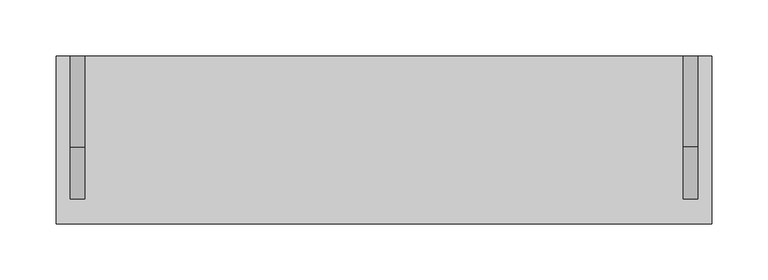
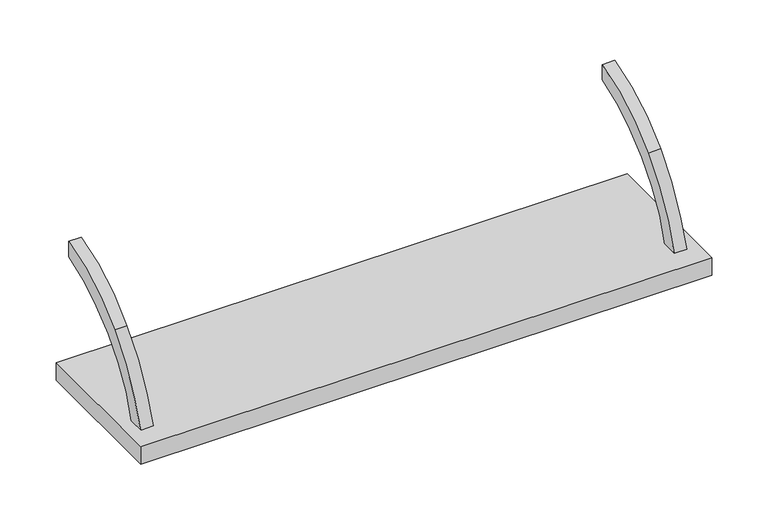
"""IFC4 building model written with IfcOpenShell, lengths in millimetres: furniture geometry."""

import ifcopenshell
import ifcopenshell.guid

model = None  # the IFC model being written
_history = None  # IfcOwnerHistory: only IFC2X3 demands one
_inside = {}  # id of a spatial element -> (the spatial element, [elements in it])
_under = {}  # id of a project, library or spatial element -> (it, [spatial elements below it])
_declared = {}  # id of a project -> (the project, [libraries it declares])
_typed = {}  # id of a type object -> (the type object, [elements of that type])
_made_of = {}  # id of a material, layer set ... -> (it, [elements and type objects made of it])


def new_model(schema):
    """Start an empty IFC model of exactly this schema.

    Asked for "IFC4X3", IfcOpenShell would pick the latest addendum, in which some entities
    have other attributes; the version numbers below select the first issue.
    IFC2X3 requires an IfcOwnerHistory on every rooted entity: one is made here for all.
    """
    global model, _history
    if schema == "IFC4X3":
        model = ifcopenshell.file(schema_version=(4, 3, 0, 0))
    else:
        model = ifcopenshell.file(schema=schema)
    _inside.clear()
    _under.clear()
    _declared.clear()
    _typed.clear()
    _made_of.clear()
    _history = None
    if model.schema == "IFC2X3":
        org = make("IfcOrganization", Name="unknown")
        user = make(
            "IfcPersonAndOrganization",
            ThePerson=make("IfcPerson", FamilyName="unknown"),
            TheOrganization=org,
        )
        app = make(
            "IfcApplication",
            ApplicationDeveloper=org,
            Version="unknown",
            ApplicationFullName="unknown",
            ApplicationIdentifier="unknown",
        )
        _history = make(
            "IfcOwnerHistory",
            OwningUser=user,
            OwningApplication=app,
            ChangeAction="ADDED",
            CreationDate=0,
        )
    return model


def make(cls, **values):
    """One entity of the class cls with the attributes given. An attribute that is None is left unset."""
    return model.create_entity(
        cls, **{name: value for name, value in values.items() if value is not None}
    )


def rooted(cls, **values):
    """An entity with a GlobalId (a new one), such as an element, a storey or a relation."""
    return make(cls, GlobalId=ifcopenshell.guid.new(), OwnerHistory=_history, **values)


def si_unit(unit_type, name, prefix=None):
    """IfcSIUnit, for example si_unit("LENGTHUNIT", "METRE", prefix="MILLI")."""
    return make("IfcSIUnit", UnitType=unit_type, Prefix=prefix, Name=name)


def assignment(units):
    """IfcUnitAssignment: the units of a project."""
    return None if units is None else make("IfcUnitAssignment", Units=units)


def point(xyz):
    """IfcCartesianPoint."""
    return None if xyz is None else make("IfcCartesianPoint", Coordinates=xyz)


def direction(xyz):
    """IfcDirection."""
    return None if xyz is None else make("IfcDirection", DirectionRatios=xyz)


def frame(location, z_axis=None, x_axis=None):
    """IfcAxis2Placement3D, a coordinate frame: its origin and axes. An axis left out is left unset."""
    return make(
        "IfcAxis2Placement3D",
        Location=point(location),
        Axis=direction(z_axis),
        RefDirection=direction(x_axis),
    )


def frame_2d(location, x_axis=None):
    """IfcAxis2Placement2D, a coordinate frame in the plane: its origin and x axis."""
    return make(
        "IfcAxis2Placement2D", Location=point(location), RefDirection=direction(x_axis)
    )


def origin():
    """The frame at (0, 0, 0) with its axes left unset."""
    return frame((0.0, 0.0, 0.0))


def place(relative_to, where):
    """IfcLocalPlacement: puts the frame where relative to a parent placement (None: the world)."""
    return make(
        "IfcLocalPlacement", PlacementRelTo=relative_to, RelativePlacement=where
    )


def context(
    kind, dimensions, precision=None, world=None, true_north=None, identifier=None
):
    """IfcGeometricRepresentationContext, for example the 3D "Model" context."""
    return make(
        "IfcGeometricRepresentationContext",
        ContextIdentifier=identifier,
        ContextType=kind,
        CoordinateSpaceDimension=dimensions,
        Precision=precision,
        WorldCoordinateSystem=world,
        TrueNorth=true_north,
    )


def project(units=None, contexts=None):
    """IfcProject with its units and contexts."""
    return rooted(
        "IfcProject",
        Name="project",
        RepresentationContexts=contexts,
        UnitsInContext=assignment(units),
    )


def spatial(cls, under=None, at=None, **own):
    """A site, building, storey or space (cls), placed at a placement, below another one or the project."""
    s = rooted(cls, ObjectPlacement=at, **own)
    if under is not None:
        _under.setdefault(under.id(), (under, []))[1].append(s)
    return s


def polyline(points):
    """IfcPolyline through the points."""
    return make("IfcPolyline", Points=[point(p) for p in points])


def circle_curve(where, radius):
    """IfcCircle in the frame where."""
    return make("IfcCircle", Position=where, Radius=radius)


def trimmed(basis, trim1, trim2, sense, master):
    """IfcTrimmedCurve: the piece of a basis curve between two trims."""
    return make(
        "IfcTrimmedCurve",
        BasisCurve=basis,
        Trim1=trim1,
        Trim2=trim2,
        SenseAgreement=sense,
        MasterRepresentation=master,
    )


def segment(curve, same_sense, transition):
    """IfcCompositeCurveSegment."""
    return make(
        "IfcCompositeCurveSegment",
        Transition=transition,
        SameSense=same_sense,
        ParentCurve=curve,
    )


def composite_curve(segments, self_intersect=None):
    """IfcCompositeCurve: segments joined end to end."""
    return make("IfcCompositeCurve", Segments=segments, SelfIntersect=self_intersect)


def outline(outer, holes=None, kind="AREA"):
    """IfcArbitraryClosedProfileDef: a profile drawn as a closed curve; with holes, ...WithVoids."""
    if holes is None:
        return make("IfcArbitraryClosedProfileDef", ProfileType=kind, OuterCurve=outer)
    return make(
        "IfcArbitraryProfileDefWithVoids",
        ProfileType=kind,
        OuterCurve=outer,
        InnerCurves=holes,
    )


def extrude(swept, where, along, depth):
    """IfcExtrudedAreaSolid: the profile swept, set in the frame where, extruded along a direction by depth."""
    return make(
        "IfcExtrudedAreaSolid",
        SweptArea=swept,
        Position=where,
        ExtrudedDirection=direction(along),
        Depth=depth,
    )


def shape(context_of_items, identifier, shape_type, items):
    """IfcShapeRepresentation: the items that make up one representation, for example the "Body"."""
    return make(
        "IfcShapeRepresentation",
        ContextOfItems=context_of_items,
        RepresentationIdentifier=identifier,
        RepresentationType=shape_type,
        Items=items,
    )


def source(mapping_origin, context_of_items, identifier, shape_type, items):
    """IfcRepresentationMap: a shape defined once, which mapped items show again and again."""
    return make(
        "IfcRepresentationMap",
        MappingOrigin=mapping_origin,
        MappedRepresentation=shape(context_of_items, identifier, shape_type, items),
    )


def transform(
    local_origin,
    x_axis=None,
    y_axis=None,
    z_axis=None,
    scale=None,
    scale2=None,
    scale3=None,
    uniform=True,
):
    """IfcCartesianTransformationOperator3D, or its non-uniform kind. x_axis, y_axis, z_axis: its Axis1, 2, 3."""
    if uniform:
        return make(
            "IfcCartesianTransformationOperator3D",
            Axis1=direction(x_axis),
            Axis2=direction(y_axis),
            LocalOrigin=point(local_origin),
            Scale=scale,
            Axis3=direction(z_axis),
        )
    return make(
        "IfcCartesianTransformationOperator3DnonUniform",
        Axis1=direction(x_axis),
        Axis2=direction(y_axis),
        LocalOrigin=point(local_origin),
        Scale=scale,
        Axis3=direction(z_axis),
        Scale2=scale2,
        Scale3=scale3,
    )


def mapped(mapping_source, mapping_target):
    """IfcMappedItem: shows the shape of a source again, moved by a transform."""
    return make(
        "IfcMappedItem", MappingSource=mapping_source, MappingTarget=mapping_target
    )


def made_of(thing, what):
    """Note that an element or type object is made of a material, layer set ...; save() writes the relation."""
    if what is not None:
        _made_of.setdefault(what.id(), (what, []))[1].append(thing)
    return thing


def element(
    cls,
    number,
    at=None,
    inside=None,
    cuts=None,
    type_object=None,
    material=None,
    context=None,
    identifier="Body",
    shape_type=None,
    held_by="IfcProductDefinitionShape",
    body=None,
    shapes=None,
    **own,
):
    """One element of the class cls, such as IfcWall. Its Tag is "e" and its number.

    at: its placement. inside: the storey or other place that contains it. cuts: it is an
    opening in that element (IfcRelVoidsElement). A single representation is given by context,
    identifier, shape_type and body (its items); several are given by shapes. held_by: the class
    of the entity that holds the representations. save() writes the other relations.
    """
    e = rooted(cls, Tag="e%d" % number, ObjectPlacement=at, **own)
    if body is not None:
        shapes = [shape(context, identifier, shape_type, body)]
    if shapes is not None:
        e.Representation = make(held_by, Representations=shapes)
    if inside is not None:
        _inside.setdefault(inside.id(), (inside, []))[1].append(e)
    if cuts is not None:
        rooted(
            "IfcRelVoidsElement", RelatingBuildingElement=cuts, RelatedOpeningElement=e
        )
    if type_object is not None:
        _typed.setdefault(type_object.id(), (type_object, []))[1].append(e)
    return made_of(e, material)


def aggregate(whole, parts):
    """IfcRelAggregates: a whole, such as a stair, and the parts it consists of."""
    return rooted("IfcRelAggregates", RelatingObject=whole, RelatedObjects=parts)


def save(model, path):
    """Write the relations noted so far, then the file.

    IfcRelAggregates (storeys below a building ...), IfcRelContainedInSpatialStructure (elements
    in a storey), IfcRelDefinesByType, IfcRelAssociatesMaterial and IfcRelDeclares: one each for
    every whole, place, type object, material and project.
    """
    for whole, parts in _under.values():
        aggregate(whole, parts)
    for where, things in _inside.values():
        rooted(
            "IfcRelContainedInSpatialStructure",
            RelatedElements=things,
            RelatingStructure=where,
        )
    for kind, things in _typed.values():
        rooted("IfcRelDefinesByType", RelatedObjects=things, RelatingType=kind)
    for what, things in _made_of.values():
        rooted("IfcRelAssociatesMaterial", RelatedObjects=things, RelatingMaterial=what)
    for by, libraries in _declared.values():
        rooted("IfcRelDeclares", RelatingContext=by, RelatedDefinitions=libraries)
    model.write(path)


def furniture_7e7f0153(model_context):
    return source(origin(), model_context, "Body", "SweptSolid", [
        extrude(outline(composite_curve([segment(polyline([(-21.75256, 1513.1927819), (-21.75256, 1496.6069534)]), True, "CONTINUOUS"), segment(trimmed(circle_curve(frame_2d((31.2350706, 1327.3321238)), 177.3743412), [point((-21.75256, 1496.6069534))], [point((-91.5649658, 1455.323561))], True, "CARTESIAN"), True, "CONTINUOUS"), segment(trimmed(circle_curve(frame_2d((14.1297346, 1345.160592)), 152.6671197), [point((-91.5649658, 1455.323561))], [point((-132.8646554, 1386.39042))], True, "CARTESIAN"), True, "CONTINUOUS"), segment(polyline([(-132.8646554, 1386.39042), (-149.4341867, 1386.39042)]), True, "CONTINUOUS"), segment(trimmed(circle_curve(frame_2d((41.312225, 1329.579287)), 199.0268786), [point((-149.4341867, 1386.39042))], [point((-102.9422911, 1466.7008863))], False, "CARTESIAN"), True, "CONTINUOUS"), segment(trimmed(circle_curve(frame_2d((15.3556483, 1354.2523954)), 163.2147835), [point((-102.9422911, 1466.7008863))], [point((-21.75256, 1513.1927819))], False, "CARTESIAN"), True, "CONTINUOUS")], self_intersect=False)), frame((285.4663384, 0.0, 0.0), z_axis=(1.0, 0.0, 0.0), x_axis=(0.0, 1.0, 0.0)), (0.0, 0.0, 1.0), 12.7),
        extrude(outline(composite_curve([segment(trimmed(circle_curve(frame_2d((15.3556483, 1354.2523954)), 163.2147835), [point((-102.9422911, 1466.7008863))], [point((-21.75256, 1513.1927819))], False, "CARTESIAN"), True, "CONTINUOUS"), segment(polyline([(-21.75256, 1513.1927819), (-21.75256, 1496.6069534)]), True, "CONTINUOUS"), segment(trimmed(circle_curve(frame_2d((31.2350706, 1327.3321238)), 177.3743412), [point((-21.75256, 1496.6069534))], [point((-91.5649658, 1455.323561))], True, "CARTESIAN"), True, "CONTINUOUS"), segment(trimmed(circle_curve(frame_2d((14.1297346, 1345.160592)), 152.6671197), [point((-91.5649658, 1455.323561))], [point((-132.8646554, 1386.39042))], True, "CARTESIAN"), True, "CONTINUOUS"), segment(polyline([(-132.8646554, 1386.39042), (-149.4341867, 1386.39042)]), True, "CONTINUOUS"), segment(trimmed(circle_curve(frame_2d((41.312225, 1329.579287)), 199.0268786), [point((-149.4341867, 1386.39042))], [point((-102.9422911, 1466.7008863))], False, "CARTESIAN"), True, "CONTINUOUS")], self_intersect=False)), frame((-260.6909286, 0.0, 0.0), z_axis=(1.0, 0.0, 0.0), x_axis=(0.0, 1.0, 0.0)), (0.0, 0.0, 1.0), 12.7),
        extrude(outline(polyline([(310.8377049, -21.75256), (310.8377049, -171.5728725), (-273.3622951, -171.5728725), (-273.3622951, -21.75256), (310.8377049, -21.75256)])), frame((0.0, 0.0, 1367.3412194), z_axis=(0.0, 0.0, 1.0), x_axis=(1.0, 0.0, 0.0)), (0.0, 0.0, 1.0), 19.0492006),
    ])


if __name__ == "__main__":
    model = new_model("IFC4")
    model_context = context("Model", 3, world=origin())
    ifc_project = project(units=[si_unit("LENGTHUNIT", "METRE", prefix="MILLI")], contexts=[model_context])
    site = spatial("IfcSite", under=ifc_project)
    building = spatial("IfcBuilding", under=site)
    placement = place(None, origin())
    furniture_shape = furniture_7e7f0153(model_context)
    element("IfcFurniture", 1, at=placement, inside=building, context=model_context, shape_type="MappedRepresentation", body=[
        mapped(furniture_shape, transform((0.0, 0.0, 0.0), x_axis=(1.0, 0.0, 0.0), y_axis=(0.0, 1.0, 0.0), z_axis=(0.0, 0.0, 1.0))),
    ])
    save(model, "model.ifc")
